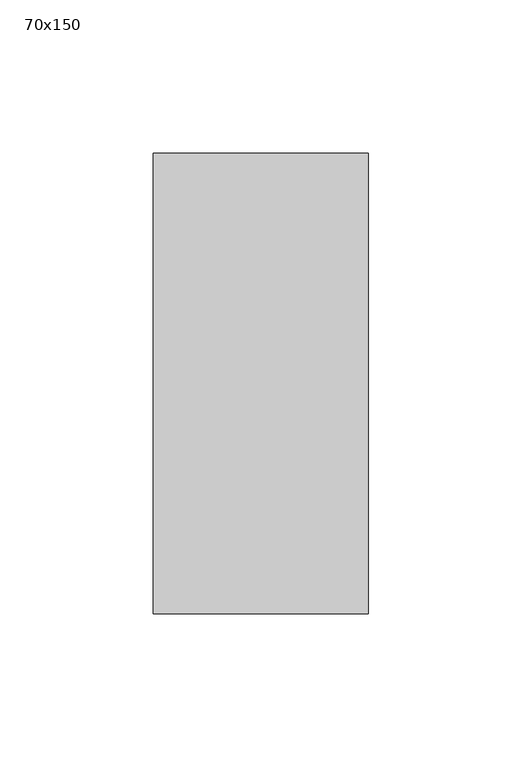
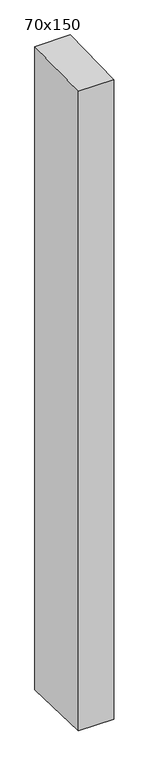
"""IFC4 building model written with IfcOpenShell, lengths in millimetres: member geometry, 70x150."""

from ifc_helpers import new_model, si_unit, frame, origin, place, context, project, spatial, polyline, outline, extrude, source, transform, mapped, element, save


def member_70x150_b62df988(model_context):
    return source(origin(), model_context, "Body", "SweptSolid", [
        extrude(outline(polyline([(-75.0, -1.7584954), (75.0, 1.7584954), (75.0, -1351.5287534), (-75.0, -1346.7220987), (-75.0, -1.7584954)])), frame((-70.0, 0.0, 0.0), z_axis=(1.0, 0.0, 0.0), x_axis=(0.0, 1.0, 0.0)), (0.0, 0.0, 1.0), 70.0),
    ])


if __name__ == "__main__":
    model = new_model("IFC4")
    model_context = context("Model", 3, world=origin())
    ifc_project = project(units=[si_unit("LENGTHUNIT", "METRE", prefix="MILLI")], contexts=[model_context])
    site = spatial("IfcSite", under=ifc_project)
    building = spatial("IfcBuilding", under=site)
    placement = place(None, origin())
    member_70x150_shape = member_70x150_b62df988(model_context)
    element("IfcMember", 1, ObjectType="70x150", at=placement, inside=building, context=model_context, shape_type="MappedRepresentation", body=[
        mapped(member_70x150_shape, transform((0.0, 0.0, 0.0), x_axis=(1.0, 0.0, 0.0), y_axis=(0.0, 1.0, 0.0), z_axis=(0.0, 0.0, 1.0))),
    ])
    save(model, "model.ifc")
